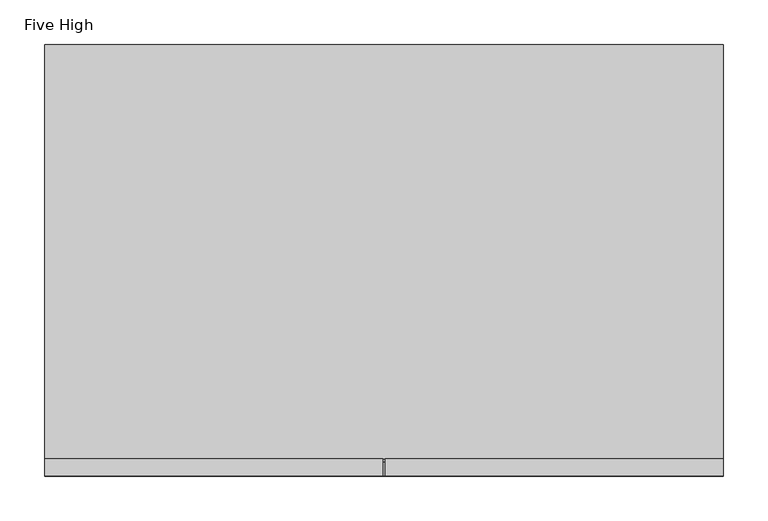
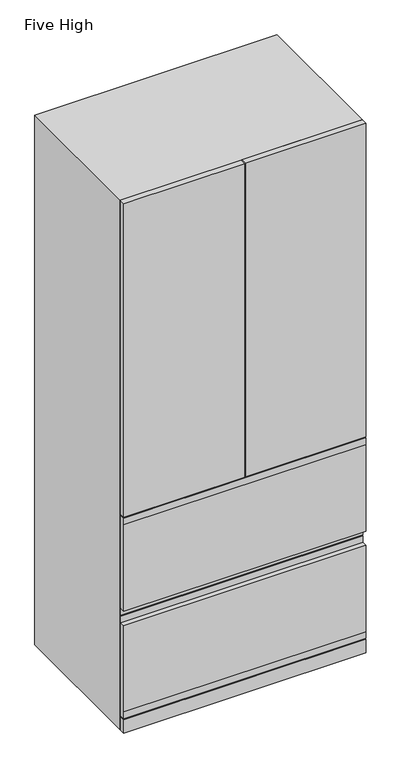
"""IFC4 building model written with IfcOpenShell, lengths in millimetres: furniture geometry, Five High."""

from ifc_helpers import new_model, si_unit, frame, origin, origin_with_axes, place, context, project, spatial, polyline, outline, extrude, faceted_brep, source, transform, mapped, element, save


def five_high_7d8603cf(model_context):
    return source(origin(), model_context, "Body", "SolidModel", [
        extrude(outline(polyline([(-300.0375, -482.6), (-300.0375, -463.55), (77.7875, -463.55), (77.7875, -482.6), (-300.0375, -482.6)])), frame((0.0, 0.0, 714.375), z_axis=(0.0, 0.0, 1.0), x_axis=(1.0, 0.0, 0.0)), (0.0, 0.0, 1.0), 1038.225),
        extrude(outline(polyline([(-466.725, 711.2), (-463.55, 711.2), (-463.55, 381.0), (-466.725, 381.0), (-466.725, 403.225), (-482.6, 403.225), (-482.6, 688.975), (-482.6, 711.2), (-466.725, 711.2)])), frame((-300.0375, 0.0, 0.0), z_axis=(1.0, 0.0, 0.0), x_axis=(0.0, 1.0, 0.0)), (0.0, 0.0, 1.0), 758.825),
        extrude(outline(polyline([(-466.725, 377.825), (-463.55, 377.825), (-463.55, 47.625), (-466.725, 47.625), (-482.6, 47.625), (-482.6, 69.85), (-482.6, 355.6), (-466.725, 355.6), (-466.725, 377.825)])), frame((-300.0375, 0.0, 0.0), z_axis=(1.0, 0.0, 0.0), x_axis=(0.0, 1.0, 0.0)), (0.0, 0.0, 1.0), 758.825),
        extrude(outline(polyline([(458.7875, -482.6), (80.9625, -482.6), (80.9625, -463.55), (458.7875, -463.55), (458.7875, -482.6)])), frame((0.0, 0.0, 714.375), z_axis=(0.0, 0.0, 1.0), x_axis=(1.0, 0.0, 0.0)), (0.0, 0.0, 1.0), 1038.225),
        faceted_brep([(458.7875, 0.0, 1752.6), (-300.0375, 0.0, 1752.6), (-300.0375, -463.55, 1752.6), (458.7875, -463.55, 1752.6), (458.7875, 0.0, 0.0), (458.7875, -463.55, 0.0), (439.7375, -463.55, 0.0), (439.7375, -19.05, 0.0), (-280.9875, -19.05, 0.0), (-280.9875, -463.55, 0.0), (-300.0375, -463.55, 0.0), (-300.0375, 0.0, 0.0), (-280.9875, -463.55, 1733.55), (439.7375, -463.55, 1733.55), (-280.9875, -19.05, 1733.55), (439.7375, -19.05, 1733.55)], [[[0, 1, 2, 3]], [[4, 5, 6, 7, 8, 9, 10, 11]], [[1, 0, 4, 11]], [[2, 1, 11, 10]], [[0, 3, 5, 4]], [[3, 2, 10, 9, 12, 13, 6, 5]], [[9, 8, 14, 12]], [[8, 7, 15, 14]], [[7, 6, 13, 15]], [[13, 12, 14, 15]]]),
        extrude(outline(polyline([(458.7875, -463.55), (458.7875, -482.6), (-300.0375, -482.6), (-300.0375, -463.55), (458.7875, -463.55)])), origin_with_axes(), (0.0, 0.0, 1.0), 44.45),
    ])


if __name__ == "__main__":
    model = new_model("IFC4")
    model_context = context("Model", 3, world=origin())
    ifc_project = project(units=[si_unit("LENGTHUNIT", "METRE", prefix="MILLI")], contexts=[model_context])
    site = spatial("IfcSite", under=ifc_project)
    building = spatial("IfcBuilding", under=site)
    placement = place(None, origin())
    five_high_shape = five_high_7d8603cf(model_context)
    element("IfcFurniture", 1, ObjectType="Five High", at=placement, inside=building, context=model_context, shape_type="MappedRepresentation", body=[
        mapped(five_high_shape, transform((0.0, 0.0, 0.0), x_axis=(1.0, 0.0, 0.0), y_axis=(0.0, 1.0, 0.0), z_axis=(0.0, 0.0, 1.0))),
    ])
    save(model, "model.ifc")
